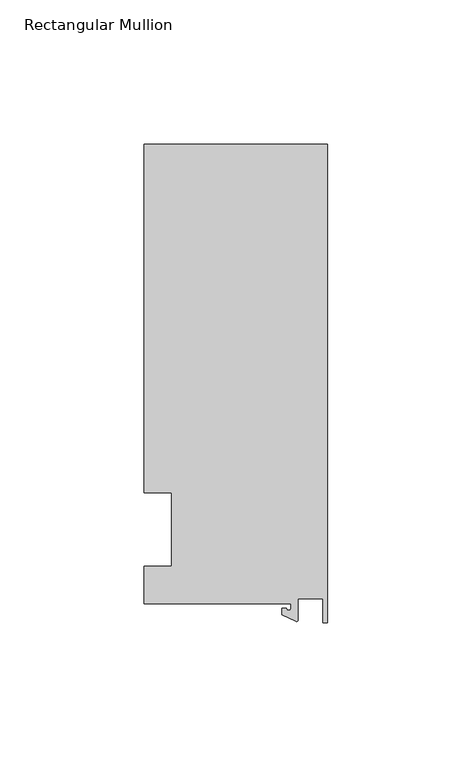
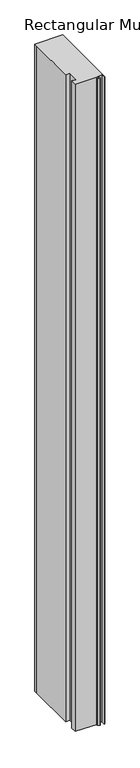
"""IFC4 building model written with IfcOpenShell, lengths in millimetres: member geometry, Rectangular Mullion."""

from ifc_helpers import new_model, si_unit, point, frame, frame_2d, origin, place, context, project, spatial, polyline, circle_curve, trimmed, segment, composite_curve, outline, extrude, source, transform, mapped, element, save


def rectangular_mullion_c32bc284(model_context):
    return source(origin(), model_context, "Body", "SweptSolid", [
        extrude(outline(composite_curve([segment(polyline([(-12.6979967, -25.796875), (-63.5, -25.796875), (-63.5, -12.7), (-53.975, -12.7), (-53.975, 12.7), (-63.5, 12.7), (-63.5, 125.4797866), (-63.5, 133.2272736), (0.0, 133.2272736), (0.0, -32.288874), (-1.5658966, -32.288874), (-1.7144124, -23.9227662), (-10.3103967, -23.9227662), (-10.3103967, -31.3654561)]), True, "CONTINUOUS"), segment(trimmed(circle_curve(frame_2d((-10.8183967, -31.3654561)), 0.508), [point((-10.3103967, -31.3654561))], [point((-11.0330867, -31.8258605))], False, "CARTESIAN"), True, "CONTINUOUS"), segment(polyline([(-11.0330867, -31.8258605), (-15.8729967, -29.5689734), (-15.8729967, -27.2067741), (-14.2854967, -27.2067741)]), True, "CONTINUOUS"), segment(trimmed(circle_curve(frame_2d((-13.4917467, -27.2067741)), 0.79375), [point((-14.2854967, -27.2067741))], [point((-12.6979967, -27.2067741))], True, "CARTESIAN"), True, "CONTINUOUS"), segment(polyline([(-12.6979967, -27.2067741), (-12.6979967, -25.796875)]), True, "CONTINUOUS")], self_intersect=False)), frame((0.0, 0.0, -1555.75), z_axis=(0.0, 0.0, 1.0), x_axis=(1.0, 0.0, 0.0)), (0.0, 0.0, 1.0), 1555.75),
    ])


if __name__ == "__main__":
    model = new_model("IFC4")
    model_context = context("Model", 3, world=origin())
    ifc_project = project(units=[si_unit("LENGTHUNIT", "METRE", prefix="MILLI")], contexts=[model_context])
    site = spatial("IfcSite", under=ifc_project)
    building = spatial("IfcBuilding", under=site)
    placement = place(None, origin())
    rectangular_mullion_shape = rectangular_mullion_c32bc284(model_context)
    element("IfcMember", 1, ObjectType="Rectangular Mullion", at=placement, inside=building, context=model_context, shape_type="MappedRepresentation", body=[
        mapped(rectangular_mullion_shape, transform((0.0, 0.0, 0.0), x_axis=(1.0, 0.0, 0.0), y_axis=(0.0, 1.0, 0.0), z_axis=(0.0, 0.0, 1.0))),
    ])
    save(model, "model.ifc")
